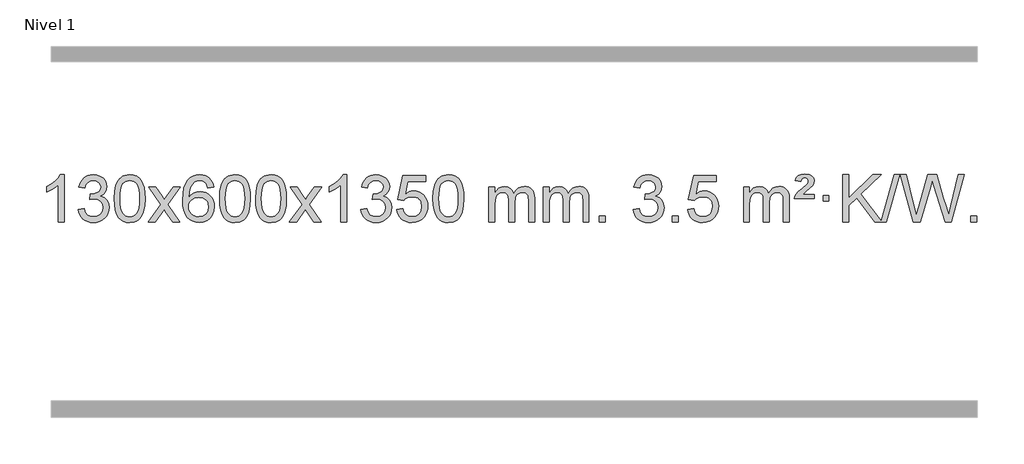
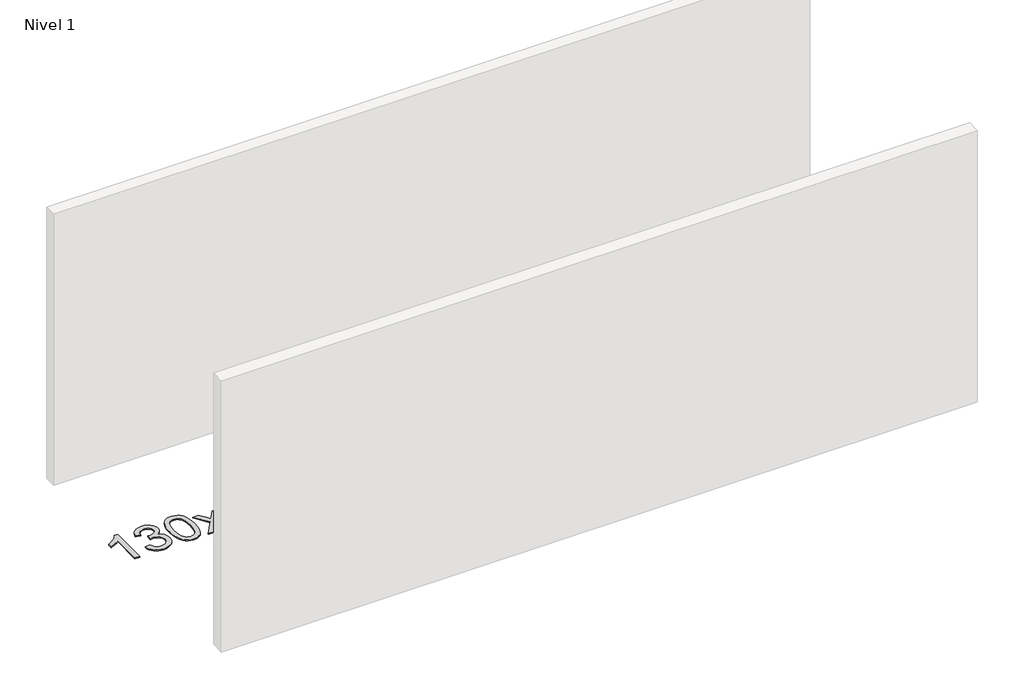
# One storey, part 9 of 21: 1 proxy.
"""IFC4 building model written with IfcOpenShell, lengths in millimetres."""

from ifc_helpers import new_model, si_unit, origin, origin_with_axes, place, context, project, spatial, polyline, outline, extrude, element, save

model = new_model("IFC4")

# Units and contexts
model_context = context("Model", 3, world=origin())
ifc_project = project(units=[si_unit("LENGTHUNIT", "METRE", prefix="MILLI")], contexts=[model_context])

# Site, building, storey
site = spatial("IfcSite", under=ifc_project)
building = spatial("IfcBuilding", under=site)
storey = spatial("IfcBuildingStorey", under=building, Name="Nivel 1", Elevation=0.0)

# Proxy
placement = place(None, origin())
element("IfcBuildingElementProxy", 1, Name="Texto de modelo 1", ObjectType="Texto de modelo 1", at=placement, inside=storey, context=model_context, shape_type="SweptSolid", body=[
    extrude(outline(polyline([(-121.6378538, -30690.579453), (-171.8660089, -30690.579453), (-171.8660089, -30377.4382987), (-192.8352826, -30394.3976587), (-219.4454136, -30411.3324932), (-272.3223191, -30436.6918254), (-272.3223191, -30389.2105225), (-232.8731065, -30367.7507395), (-198.6968691, -30342.219729), (-171.7556443, -30315.0700378), (-154.0114694, -30288.7542124), (-121.6378538, -30288.7542124), (-121.6378538, -30690.579453)])), origin_with_axes(), (0.0, 0.0, 1.0), 10.0),
    extrude(outline(polyline([(-2.3459855, -30583.8446235), (47.8821695, -30577.5661041), (59.1270958, -30609.1303793), (75.5959465, -30630.4430095), (98.0980619, -30642.5831154), (127.4427824, -30646.6298173), (161.8765371, -30641.0625364), (176.1503585, -30634.1034354), (188.4621426, -30624.3606939), (205.4582908, -30599.4428201), (211.1236735, -30569.2274455), (205.5073417, -30540.5449126), (188.6583463, -30517.2825078), (163.1518614, -30501.8682522), (131.5630607, -30496.730167), (96.344491, -30502.2238715), (101.9362974, -30451.9957164), (109.9806503, -30452.5843276), (140.0733975, -30448.979084), (166.9778341, -30438.1633534), (178.0510822, -30429.9841103), (185.9605451, -30419.8673555), (190.7062228, -30407.8130888), (192.2881154, -30393.8213102), (187.7018532, -30372.1285352), (173.9430665, -30354.5315131), (152.9492674, -30342.8696539), (126.6579674, -30338.9823675), (100.3176166, -30342.9064421), (78.7842571, -30354.6786659), (63.0634332, -30374.299039), (54.1606889, -30401.7675613), (3.9325338, -30395.4890419), (9.8860908, -30371.5092672), (18.72139, -30350.3867093), (30.4384316, -30332.1213683), (45.0372154, -30316.713244), (62.0578891, -30304.4811677), (81.0406, -30295.7439703), (101.9853483, -30290.5016519), (124.8921339, -30288.7542124), (156.4686718, -30292.2000404), (185.4700357, -30302.5375245), (209.9219257, -30318.8469596), (227.8500416, -30340.2086408), (238.8497132, -30364.8199463), (242.5162704, -30390.8782543), (239.0336542, -30415.1584659), (228.5858056, -30437.1823347), (211.3198773, -30455.9443165), (187.3830221, -30470.4388671), (218.82467, -30483.1430586), (242.123863, -30504.77452), (256.5448372, -30534.1560286), (261.3518286, -30570.1103623), (258.9483329, -30595.5923218), (251.7378458, -30619.0631931), (239.7203673, -30640.5229762), (222.8958974, -30659.971671), (202.3987389, -30676.1094278), (179.3631946, -30687.636397), (153.7892646, -30694.5525785), (125.6769488, -30696.8579724), (100.2685656, -30694.8898037), (77.1165254, -30688.9852977), (56.2208281, -30679.1444543), (37.5814737, -30665.3672736), (21.9526202, -30648.4630959), (10.0884259, -30629.2412617), (1.9888906, -30607.7017708), (-2.3459855, -30583.8446235)])), origin_with_axes(), (0.0, 0.0, 1.0), 10.0),
    extrude(outline(polyline([(305.3014643, -30492.9041943), (308.992547, -30428.5861588), (320.065795, -30377.2911459), (338.4108439, -30338.2343407), (350.2689068, -30323.0009605), (363.9173289, -30310.6309284), (379.4020952, -30301.0598651), (396.769191, -30294.2233914), (437.1503714, -30288.7542124), (468.1015099, -30291.991574), (495.8152869, -30301.7036586), (518.9918526, -30317.5103217), (536.3313573, -30339.0314184), (549.4279563, -30366.0830078), (559.8758049, -30398.4811488), (566.7184101, -30439.6226186), (568.9992784, -30492.9041943), (565.3449839, -30556.8543477), (554.3821005, -30608.0267333), (536.1474163, -30647.1203266), (524.3169444, -30662.3996922), (510.6777195, -30674.8341036), (495.174559, -30684.4695462), (477.7522809, -30691.3520052), (437.1503714, -30696.8579724), (409.4856453, -30694.4667394), (384.960179, -30687.2930405), (363.5739723, -30675.3368757), (345.3270254, -30658.5982449), (327.8158424, -30628.3399508), (315.3078546, -30590.6381776), (307.8030619, -30545.4929255), (305.3014643, -30492.9041943)]), holes=[polyline([(355.5296194, -30492.8060924), (357.0011473, -30536.4706195), (361.4157313, -30571.8148822), (368.7733712, -30598.8388804), (379.0740671, -30617.5426142), (391.533004, -30630.2682656), (405.365367, -30639.3580165), (420.5711561, -30644.8118671), (437.1503714, -30646.6298173), (453.7295866, -30644.8057357), (468.9353757, -30639.3334911), (482.7677388, -30630.2130833), (495.2266757, -30617.4445124), (505.5273715, -30598.7101217), (512.8850114, -30571.6922549), (517.2995954, -30536.3909118), (518.7711234, -30492.8060924), (517.3486463, -30450.2973278), (513.0812152, -30415.5753989), (505.9688299, -30388.6403055), (496.0114906, -30369.4920476), (483.7610201, -30356.1440625), (469.7692416, -30346.6097875), (454.0361549, -30340.8892225), (436.5617602, -30338.9823675), (420.068384, -30340.6623619), (405.1201123, -30345.7023452), (391.716945, -30354.1023175), (379.858882, -30365.8622786), (369.2148296, -30386.708925), (361.611935, -30414.8151094), (357.0501983, -30450.1808319), (355.5296194, -30492.8060924)])]), origin_with_axes(), (0.0, 0.0, 1.0), 10.0),
    extrude(outline(polyline([(594.113356, -30690.579453), (701.4367967, -30542.2494325), (600.3918754, -30395.4890419), (660.8226244, -30395.4890419), (709.5792515, -30466.122385), (732.3388843, -30499.4770192), (752.0573592, -30472.2047007), (807.583015, -30395.4890419), (868.0137641, -30395.4890419), (761.8675458, -30542.2494325), (864.0896895, -30690.579453), (803.6589404, -30690.579453), (742.1490708, -30601.4048574), (730.8673563, -30585.1199477), (654.544105, -30690.579453), (594.113356, -30690.579453)])), origin_with_axes(), (0.0, 0.0, 1.0), 10.0),
    extrude(outline(polyline([(1152.9015812, -30395.4890419), (1102.6734261, -30401.7675613), (1094.5800222, -30376.874213), (1083.6416642, -30359.8780648), (1060.857506, -30344.2062918), (1033.3154073, -30338.9823675), (1009.9671633, -30342.0235253), (987.9923455, -30351.1469988), (969.1199991, -30370.3627017), (953.7057435, -30396.8134171), (943.2946831, -30434.227016), (939.4319221, -30486.3313693), (959.5795927, -30462.8237098), (983.7249143, -30446.2567573), (1010.5189863, -30436.434308), (1038.612908, -30433.1601582), (1062.7459669, -30435.398107), (1085.0150903, -30442.1119534), (1105.4202783, -30453.3016975), (1123.9615309, -30468.9673391), (1139.3696551, -30488.1769106), (1150.3754581, -30509.9984443), (1156.97894, -30534.4319401), (1159.1801006, -30561.4773982), (1155.0352967, -30597.4439945), (1142.6008853, -30630.786366), (1122.9069358, -30659.0642287), (1096.9835179, -30679.8372987), (1066.0078539, -30692.602804), (1031.1571662, -30696.8579724), (1001.2146375, -30694.0375437), (974.1722452, -30685.5762579), (950.0299893, -30671.4741147), (928.7878697, -30651.7311143), (911.4698248, -30625.5133908), (899.0997927, -30591.9870783), (891.6777734, -30551.1521768), (889.203767, -30503.0086864), (891.9506193, -30449.0342663), (900.191176, -30402.9693092), (913.9254371, -30364.8138149), (933.1534027, -30334.5677835), (953.9939177, -30314.5243462), (978.1576335, -30300.2076052), (1005.6445499, -30291.6175606), (1036.454667, -30288.7542124), (1059.5883131, -30290.5261773), (1080.52693, -30295.8420722), (1099.2705176, -30304.7018969), (1115.8190761, -30317.1056515), (1129.7250155, -30332.6364031), (1140.5407461, -30350.8772186), (1148.266268, -30371.8280983), (1152.9015812, -30395.4890419)]), holes=[polyline([(939.4319221, -30560.6925832), (942.3381899, -30582.9494439), (951.0569932, -30604.2007605), (964.5950506, -30622.472233), (981.9590807, -30635.7895612), (1002.9160917, -30643.9197533), (1027.2330916, -30646.6298173), (1060.3792594, -30641.0134855), (1074.2943959, -30633.9930708), (1086.4375674, -30624.1644901), (1096.2876078, -30611.9262824), (1103.323351, -30597.6769865), (1108.9519455, -30563.1451299), (1103.3969274, -30529.9989621), (1096.4531547, -30516.3781312), (1086.731873, -30504.725469), (1074.5519133, -30495.3904634), (1060.2321066, -30488.7226022), (1025.1729524, -30483.3883133), (992.0758356, -30488.7226022), (964.3988468, -30504.725469), (953.4758173, -30516.2248471), (945.6736533, -30529.3858254), (940.9923549, -30544.2084042), (939.4319221, -30560.6925832)])]), origin_with_axes(), (0.0, 0.0, 1.0), 10.0),
    extrude(outline(polyline([(1203.1297362, -30492.9041943), (1206.8208189, -30428.5861588), (1217.894067, -30377.2911459), (1236.2391158, -30338.2343407), (1248.0971788, -30323.0009605), (1261.7456008, -30310.6309284), (1277.2303671, -30301.0598651), (1294.597463, -30294.2233914), (1334.9786433, -30288.7542124), (1365.9297818, -30291.991574), (1393.6435588, -30301.7036586), (1416.8201245, -30317.5103217), (1434.1596292, -30339.0314184), (1447.2562282, -30366.0830078), (1457.7040769, -30398.4811488), (1464.546682, -30439.6226186), (1466.8275504, -30492.9041943), (1463.1732559, -30556.8543477), (1452.2103725, -30608.0267333), (1433.9756882, -30647.1203266), (1422.1452164, -30662.3996922), (1408.5059914, -30674.8341036), (1393.002831, -30684.4695462), (1375.5805529, -30691.3520052), (1334.9786433, -30696.8579724), (1307.3139173, -30694.4667394), (1282.7884509, -30687.2930405), (1261.4022443, -30675.3368757), (1243.1552973, -30658.5982449), (1225.6441144, -30628.3399508), (1213.1361265, -30590.6381776), (1205.6313338, -30545.4929255), (1203.1297362, -30492.9041943)]), holes=[polyline([(1253.3578913, -30492.8060924), (1254.8294193, -30536.4706195), (1259.2440032, -30571.8148822), (1266.6016432, -30598.8388804), (1276.902339, -30617.5426142), (1289.3612759, -30630.2682656), (1303.1936389, -30639.3580165), (1318.3994281, -30644.8118671), (1334.9786433, -30646.6298173), (1351.5578586, -30644.8057357), (1366.7636477, -30639.3334911), (1380.5960107, -30630.2130833), (1393.0549476, -30617.4445124), (1403.3556435, -30598.7101217), (1410.7132834, -30571.6922549), (1415.1278673, -30536.3909118), (1416.5993953, -30492.8060924), (1415.1769183, -30450.2973278), (1410.9094871, -30415.5753989), (1403.7971019, -30388.6403055), (1393.8397625, -30369.4920476), (1381.5892921, -30356.1440625), (1367.5975136, -30346.6097875), (1351.8644269, -30340.8892225), (1334.3900321, -30338.9823675), (1317.896656, -30340.6623619), (1302.9483843, -30345.7023452), (1289.5452169, -30354.1023175), (1277.6871539, -30365.8622786), (1267.0431015, -30386.708925), (1259.440207, -30414.8151094), (1254.8784702, -30450.1808319), (1253.3578913, -30492.8060924)])]), origin_with_axes(), (0.0, 0.0, 1.0), 10.0),
    extrude(outline(polyline([(1510.7771861, -30492.9041943), (1514.4682688, -30428.5861588), (1525.5415168, -30377.2911459), (1543.8865656, -30338.2343407), (1555.7446286, -30323.0009605), (1569.3930506, -30310.6309284), (1584.877817, -30301.0598651), (1602.2449128, -30294.2233914), (1642.6260932, -30288.7542124), (1673.5772317, -30291.991574), (1701.2910087, -30301.7036586), (1724.4675743, -30317.5103217), (1741.8070791, -30339.0314184), (1754.9036781, -30366.0830078), (1765.3515267, -30398.4811488), (1772.1941319, -30439.6226186), (1774.4750002, -30492.9041943), (1770.8207057, -30556.8543477), (1759.8578223, -30608.0267333), (1741.6231381, -30647.1203266), (1729.7926662, -30662.3996922), (1716.1534413, -30674.8341036), (1700.6502808, -30684.4695462), (1683.2280027, -30691.3520052), (1642.6260932, -30696.8579724), (1614.9613671, -30694.4667394), (1590.4359008, -30687.2930405), (1569.0496941, -30675.3368757), (1550.8027472, -30658.5982449), (1533.2915642, -30628.3399508), (1520.7835764, -30590.6381776), (1513.2787836, -30545.4929255), (1510.7771861, -30492.9041943)]), holes=[polyline([(1561.0053412, -30492.8060924), (1562.4768691, -30536.4706195), (1566.8914531, -30571.8148822), (1574.249093, -30598.8388804), (1584.5497888, -30617.5426142), (1597.0087258, -30630.2682656), (1610.8410888, -30639.3580165), (1626.0468779, -30644.8118671), (1642.6260932, -30646.6298173), (1659.2053084, -30644.8057357), (1674.4110975, -30639.3334911), (1688.2434606, -30630.2130833), (1700.7023975, -30617.4445124), (1711.0030933, -30598.7101217), (1718.3607332, -30571.6922549), (1722.7753172, -30536.3909118), (1724.2468452, -30492.8060924), (1722.8243681, -30450.2973278), (1718.556937, -30415.5753989), (1711.4445517, -30388.6403055), (1701.4872124, -30369.4920476), (1689.2367419, -30356.1440625), (1675.2449634, -30346.6097875), (1659.5118767, -30340.8892225), (1642.037482, -30338.9823675), (1625.5441058, -30340.6623619), (1610.5958341, -30345.7023452), (1597.1926667, -30354.1023175), (1585.3346038, -30365.8622786), (1574.6905514, -30386.708925), (1567.0876568, -30414.8151094), (1562.5259201, -30450.1808319), (1561.0053412, -30492.8060924)])]), origin_with_axes(), (0.0, 0.0, 1.0), 10.0),
    extrude(outline(polyline([(1799.5890778, -30690.579453), (1906.9125185, -30542.2494325), (1805.8675971, -30395.4890419), (1866.2983462, -30395.4890419), (1915.0549733, -30466.122385), (1937.8146061, -30499.4770192), (1957.533081, -30472.2047007), (2013.0587368, -30395.4890419), (2073.4894859, -30395.4890419), (1967.3432676, -30542.2494325), (2069.5654113, -30690.579453), (2009.1346622, -30690.579453), (1947.6247926, -30601.4048574), (1936.3430781, -30585.1199477), (1860.0198268, -30690.579453), (1799.5890778, -30690.579453)])), origin_with_axes(), (0.0, 0.0, 1.0), 10.0),
    extrude(outline(polyline([(2289.3135897, -30690.579453), (2239.0854347, -30690.579453), (2239.0854347, -30377.4382987), (2218.1161609, -30394.3976587), (2191.50603, -30411.3324932), (2138.6291245, -30436.6918254), (2138.6291245, -30389.2105225), (2178.0783371, -30367.7507395), (2212.2545745, -30342.219729), (2239.1957993, -30315.0700378), (2256.9399742, -30288.7542124), (2289.3135897, -30288.7542124), (2289.3135897, -30690.579453)])), origin_with_axes(), (0.0, 0.0, 1.0), 10.0),
    extrude(outline(polyline([(2408.605458, -30583.8446235), (2458.8336131, -30577.5661041), (2470.0785394, -30609.1303793), (2486.5473901, -30630.4430095), (2509.0495055, -30642.5831154), (2538.3942259, -30646.6298173), (2572.8279807, -30641.0625364), (2587.1018021, -30634.1034354), (2599.4135862, -30624.3606939), (2616.4097344, -30599.4428201), (2622.0751171, -30569.2274455), (2616.4587853, -30540.5449126), (2599.6097899, -30517.2825078), (2574.1033049, -30501.8682522), (2542.5145043, -30496.730167), (2507.2959346, -30502.2238715), (2512.8877409, -30451.9957164), (2520.9320939, -30452.5843276), (2551.0248411, -30448.979084), (2577.9292777, -30438.1633534), (2589.0025257, -30429.9841103), (2596.9119886, -30419.8673555), (2601.6576664, -30407.8130888), (2603.239559, -30393.8213102), (2598.6532968, -30372.1285352), (2584.8945101, -30354.5315131), (2563.9007109, -30342.8696539), (2537.609411, -30338.9823675), (2511.2690602, -30342.9064421), (2489.7357007, -30354.6786659), (2474.0148768, -30374.299039), (2465.1121325, -30401.7675613), (2414.8839774, -30395.4890419), (2420.8375344, -30371.5092672), (2429.6728336, -30350.3867093), (2441.3898752, -30332.1213683), (2455.988659, -30316.713244), (2473.0093327, -30304.4811677), (2491.9920436, -30295.7439703), (2512.9367919, -30290.5016519), (2535.8435774, -30288.7542124), (2567.4201154, -30292.2000404), (2596.4214793, -30302.5375245), (2620.8733693, -30318.8469596), (2638.8014852, -30340.2086408), (2649.8011568, -30364.8199463), (2653.467714, -30390.8782543), (2649.9850978, -30415.1584659), (2639.5372491, -30437.1823347), (2622.2713208, -30455.9443165), (2598.3344657, -30470.4388671), (2629.7761135, -30483.1430586), (2653.0753066, -30504.77452), (2667.4962808, -30534.1560286), (2672.3032722, -30570.1103623), (2669.8997765, -30595.5923218), (2662.6892894, -30619.0631931), (2650.6718109, -30640.5229762), (2633.847341, -30659.971671), (2613.3501825, -30676.1094278), (2590.3146382, -30687.636397), (2564.7407082, -30694.5525785), (2536.6283924, -30696.8579724), (2511.2200092, -30694.8898037), (2488.067969, -30688.9852977), (2467.1722717, -30679.1444543), (2448.5329173, -30665.3672736), (2432.9040638, -30648.4630959), (2421.0398695, -30629.2412617), (2412.9403342, -30607.7017708), (2408.605458, -30583.8446235)])), origin_with_axes(), (0.0, 0.0, 1.0), 10.0),
    extrude(outline(polyline([(2716.2529079, -30583.8446235), (2766.481063, -30577.5661041), (2775.7026383, -30607.7201649), (2791.7913442, -30629.3148381), (2814.6736043, -30642.3010725), (2844.2758422, -30646.6298173), (2863.4057059, -30645.1245668), (2880.2792268, -30640.6088153), (2894.8964047, -30633.0825628), (2907.2572398, -30622.5458094), (2917.0858204, -30609.519721), (2924.1062352, -30594.5254641), (2929.7225669, -30558.6324441), (2924.4618544, -30524.8363514), (2917.8859638, -30510.9181493), (2908.6797168, -30498.9865099), (2896.8124568, -30489.4154467), (2882.2535268, -30482.5789729), (2845.0606571, -30477.1097939), (2820.6946063, -30479.2925604), (2800.9638686, -30485.8408599), (2785.2062565, -30495.8717757), (2772.7595823, -30508.5023908), (2722.5314273, -30502.2238715), (2766.481063, -30295.0327318), (2961.1151639, -30295.0327318), (2961.1151639, -30345.2608869), (2807.0952352, -30345.2608869), (2785.6109267, -30455.919791), (2803.3367075, -30443.2155994), (2821.491684, -30434.1411769), (2840.0758561, -30428.6965234), (2859.0892239, -30426.8816388), (2883.5503109, -30429.1318504), (2906.0187037, -30435.882485), (2926.4944024, -30447.1335427), (2944.977407, -30462.8850234), (2960.2782323, -30482.1743027), (2971.2073933, -30504.038756), (2977.7648898, -30528.4783832), (2979.950722, -30555.4931844), (2977.9825533, -30581.5147042), (2972.0780473, -30605.7213394), (2962.237204, -30628.1130902), (2948.4600232, -30648.6899565), (2927.5888514, -30669.7634634), (2903.2350633, -30684.8159684), (2875.398659, -30693.8474714), (2844.0796385, -30696.8579724), (2818.1592862, -30694.9235262), (2794.7466629, -30689.1201877), (2773.8417685, -30679.447957), (2755.4446031, -30665.9068338), (2740.1376464, -30649.1712688), (2728.5033783, -30629.915712), (2720.5417988, -30608.1401636), (2716.2529079, -30583.8446235)])), origin_with_axes(), (0.0, 0.0, 1.0), 10.0),
    extrude(outline(polyline([(3023.9003577, -30492.9041943), (3027.5914404, -30428.5861588), (3038.6646885, -30377.2911459), (3057.0097373, -30338.2343407), (3068.8678003, -30323.0009605), (3082.5162223, -30310.6309284), (3098.0009886, -30301.0598651), (3115.3680844, -30294.2233914), (3155.7492648, -30288.7542124), (3186.7004033, -30291.991574), (3214.4141803, -30301.7036586), (3237.590746, -30317.5103217), (3254.9302507, -30339.0314184), (3268.0268497, -30366.0830078), (3278.4746984, -30398.4811488), (3285.3173035, -30439.6226186), (3287.5981719, -30492.9041943), (3283.9438774, -30556.8543477), (3272.9809939, -30608.0267333), (3254.7463097, -30647.1203266), (3242.9158379, -30662.3996922), (3229.2766129, -30674.8341036), (3213.7734525, -30684.4695462), (3196.3511743, -30691.3520052), (3155.7492648, -30696.8579724), (3128.0845387, -30694.4667394), (3103.5590724, -30687.2930405), (3082.1728657, -30675.3368757), (3063.9259188, -30658.5982449), (3046.4147358, -30628.3399508), (3033.906748, -30590.6381776), (3026.4019553, -30545.4929255), (3023.9003577, -30492.9041943)]), holes=[polyline([(3074.1285128, -30492.8060924), (3075.6000408, -30536.4706195), (3080.0146247, -30571.8148822), (3087.3722646, -30598.8388804), (3097.6729605, -30617.5426142), (3110.1318974, -30630.2682656), (3123.9642604, -30639.3580165), (3139.1700495, -30644.8118671), (3155.7492648, -30646.6298173), (3172.32848, -30644.8057357), (3187.5342692, -30639.3334911), (3201.3666322, -30630.2130833), (3213.8255691, -30617.4445124), (3224.126265, -30598.7101217), (3231.4839049, -30571.6922549), (3235.8984888, -30536.3909118), (3237.3700168, -30492.8060924), (3235.9475397, -30450.2973278), (3231.6801086, -30415.5753989), (3224.5677233, -30388.6403055), (3214.610384, -30369.4920476), (3202.3599136, -30356.1440625), (3188.368135, -30346.6097875), (3172.6350484, -30340.8892225), (3155.1606536, -30338.9823675), (3138.6672775, -30340.6623619), (3123.7190057, -30345.7023452), (3110.3158384, -30354.1023175), (3098.4577754, -30365.8622786), (3087.813723, -30386.708925), (3080.2108284, -30414.8151094), (3075.6490917, -30450.1808319), (3074.1285128, -30492.8060924)])]), origin_with_axes(), (0.0, 0.0, 1.0), 10.0),
    extrude(outline(polyline([(3501.0678309, -30690.579453), (3501.0678309, -30395.4890419), (3551.295986, -30395.4890419), (3551.295986, -30444.0494653), (3566.4036733, -30421.7435537), (3585.8278426, -30404.2691589), (3608.9063064, -30392.9751816), (3634.9768772, -30389.2105225), (3662.9113833, -30393.048758), (3685.3031341, -30404.5634645), (3702.0295022, -30422.9943524), (3712.9678601, -30447.5811324), (3731.2761208, -30422.0439906), (3752.1595554, -30403.803175), (3775.6181639, -30392.8586857), (3801.6519464, -30389.2105225), (3821.7597632, -30390.7280358), (3839.4089019, -30395.2805755), (3854.5993626, -30402.8681416), (3867.3311453, -30413.4907342), (3877.3957836, -30427.2709806), (3884.5848109, -30444.3315082), (3888.8982273, -30464.6723168), (3890.3360328, -30488.2934066), (3890.3360328, -30690.579453), (3840.1078777, -30690.579453), (3840.1078777, -30509.875817), (3838.942918, -30484.8230531), (3835.4480391, -30467.9372695), (3828.8997396, -30456.3735121), (3818.5745182, -30447.2868268), (3805.2939782, -30441.4007149), (3789.8797226, -30439.4386776), (3762.6687177, -30444.4663982), (3740.4854334, -30459.54956), (3731.8800604, -30471.1194488), (3725.7333654, -30485.7182326), (3720.8160094, -30524.0024856), (3720.8160094, -30690.579453), (3670.5878543, -30690.579453), (3670.5878543, -30504.2840106), (3667.6815865, -30475.8835206), (3658.9627833, -30455.6254854), (3643.6221041, -30443.4853796), (3620.8502086, -30439.4386776), (3601.4996156, -30442.1364789), (3583.6696016, -30450.2298828), (3568.9543218, -30463.5226856), (3558.9479315, -30481.8186835), (3553.2089724, -30507.2025411), (3551.295986, -30541.7589232), (3551.295986, -30690.579453), (3501.0678309, -30690.579453)])), origin_with_axes(), (0.0, 0.0, 1.0), 10.0),
    extrude(outline(polyline([(3965.6782654, -30690.579453), (3965.6782654, -30395.4890419), (4015.9064204, -30395.4890419), (4015.9064204, -30444.0494653), (4031.0141077, -30421.7435537), (4050.4382771, -30404.2691589), (4073.5167409, -30392.9751816), (4099.5873116, -30389.2105225), (4127.5218178, -30393.048758), (4149.9135685, -30404.5634645), (4166.6399366, -30422.9943524), (4177.5782946, -30447.5811324), (4195.8865552, -30422.0439906), (4216.7699898, -30403.803175), (4240.2285984, -30392.8586857), (4266.2623809, -30389.2105225), (4286.3701976, -30390.7280358), (4304.0193363, -30395.2805755), (4319.209797, -30402.8681416), (4331.9415798, -30413.4907342), (4342.006218, -30427.2709806), (4349.1952453, -30444.3315082), (4353.5086617, -30464.6723168), (4354.9464672, -30488.2934066), (4354.9464672, -30690.579453), (4304.7183121, -30690.579453), (4304.7183121, -30509.875817), (4303.5533525, -30484.8230531), (4300.0584735, -30467.9372695), (4293.510174, -30456.3735121), (4283.1849527, -30447.2868268), (4269.9044126, -30441.4007149), (4254.490157, -30439.4386776), (4227.2791521, -30444.4663982), (4205.0958678, -30459.54956), (4196.4904948, -30471.1194488), (4190.3437998, -30485.7182326), (4185.4264438, -30524.0024856), (4185.4264438, -30690.579453), (4135.1982887, -30690.579453), (4135.1982887, -30504.2840106), (4132.292021, -30475.8835206), (4123.5732177, -30455.6254854), (4108.2325385, -30443.4853796), (4085.460643, -30439.4386776), (4066.11005, -30442.1364789), (4048.280036, -30450.2298828), (4033.5647562, -30463.5226856), (4023.5583659, -30481.8186835), (4017.8194068, -30507.2025411), (4015.9064204, -30541.7589232), (4015.9064204, -30690.579453), (3965.6782654, -30690.579453)])), origin_with_axes(), (0.0, 0.0, 1.0), 10.0),
    extrude(outline(polyline([(4442.8457386, -30690.579453), (4442.8457386, -30640.3512979), (4493.0738936, -30640.3512979), (4493.0738936, -30690.579453), (4442.8457386, -30690.579453)])), origin_with_axes(), (0.0, 0.0, 1.0), 10.0),
    extrude(outline(polyline([(4731.6576303, -30583.8446235), (4781.8857853, -30577.5661041), (4793.1307116, -30609.1303793), (4809.5995623, -30630.4430095), (4832.1016777, -30642.5831154), (4861.4463982, -30646.6298173), (4895.8801529, -30641.0625364), (4910.1539743, -30634.1034354), (4922.4657584, -30624.3606939), (4939.4619066, -30599.4428201), (4945.1272893, -30569.2274455), (4939.5109575, -30540.5449126), (4922.6619621, -30517.2825078), (4897.1554772, -30501.8682522), (4865.5666765, -30496.730167), (4830.3481068, -30502.2238715), (4835.9399132, -30451.9957164), (4843.9842661, -30452.5843276), (4874.0770133, -30448.979084), (4900.9814499, -30438.1633534), (4912.054698, -30429.9841103), (4919.9641609, -30419.8673555), (4924.7098386, -30407.8130888), (4926.2917312, -30393.8213102), (4921.705469, -30372.1285352), (4907.9466823, -30354.5315131), (4886.9528832, -30342.8696539), (4860.6615832, -30338.9823675), (4834.3212324, -30342.9064421), (4812.7878729, -30354.6786659), (4797.067049, -30374.299039), (4788.1643047, -30401.7675613), (4737.9361496, -30395.4890419), (4743.8897066, -30371.5092672), (4752.7250058, -30350.3867093), (4764.4420474, -30332.1213683), (4779.0408312, -30316.713244), (4796.0615049, -30304.4811677), (4815.0442158, -30295.7439703), (4835.9889641, -30290.5016519), (4858.8957497, -30288.7542124), (4890.4722876, -30292.2000404), (4919.4736515, -30302.5375245), (4943.9255415, -30318.8469596), (4961.8536574, -30340.2086408), (4972.853329, -30364.8199463), (4976.5198862, -30390.8782543), (4973.03727, -30415.1584659), (4962.5894214, -30437.1823347), (4945.3234931, -30455.9443165), (4921.3866379, -30470.4388671), (4952.8282858, -30483.1430586), (4976.1274788, -30504.77452), (4990.548453, -30534.1560286), (4995.3554444, -30570.1103623), (4992.9519487, -30595.5923218), (4985.7414616, -30619.0631931), (4973.7239831, -30640.5229762), (4956.8995132, -30659.971671), (4936.4023547, -30676.1094278), (4913.3668104, -30687.636397), (4887.7928804, -30694.5525785), (4859.6805646, -30696.8579724), (4834.2721814, -30694.8898037), (4811.1201412, -30688.9852977), (4790.2244439, -30679.1444543), (4771.5850895, -30665.3672736), (4755.956236, -30648.4630959), (4744.0920417, -30629.2412617), (4735.9925064, -30607.7017708), (4731.6576303, -30583.8446235)])), origin_with_axes(), (0.0, 0.0, 1.0), 10.0),
    extrude(outline(polyline([(5064.4191576, -30690.579453), (5064.4191576, -30640.3512979), (5114.6473127, -30640.3512979), (5114.6473127, -30690.579453), (5064.4191576, -30690.579453)])), origin_with_axes(), (0.0, 0.0, 1.0), 10.0),
    extrude(outline(polyline([(5196.2680647, -30583.8446235), (5246.4962198, -30577.5661041), (5255.7177951, -30607.7201649), (5271.806501, -30629.3148381), (5294.6887611, -30642.3010725), (5324.290999, -30646.6298173), (5343.4208628, -30645.1245668), (5360.2943836, -30640.6088153), (5374.9115616, -30633.0825628), (5387.2723966, -30622.5458094), (5397.1009772, -30609.519721), (5404.121392, -30594.5254641), (5409.7377238, -30558.6324441), (5404.4770112, -30524.8363514), (5397.9011206, -30510.9181493), (5388.6948736, -30498.9865099), (5376.8276136, -30489.4154467), (5362.2686837, -30482.5789729), (5325.0758139, -30477.1097939), (5300.7097631, -30479.2925604), (5280.9790255, -30485.8408599), (5265.2214133, -30495.8717757), (5252.7747392, -30508.5023908), (5202.5465841, -30502.2238715), (5246.4962198, -30295.0327318), (5441.1303207, -30295.0327318), (5441.1303207, -30345.2608869), (5287.110392, -30345.2608869), (5265.6260835, -30455.919791), (5283.3518643, -30443.2155994), (5301.5068408, -30434.1411769), (5320.0910129, -30428.6965234), (5339.1043807, -30426.8816388), (5363.5654677, -30429.1318504), (5386.0338605, -30435.882485), (5406.5095593, -30447.1335427), (5424.9925638, -30462.8850234), (5440.2933891, -30482.1743027), (5451.2225501, -30504.038756), (5457.7800467, -30528.4783832), (5459.9658788, -30555.4931844), (5457.9977102, -30581.5147042), (5452.0932041, -30605.7213394), (5442.2523608, -30628.1130902), (5428.4751801, -30648.6899565), (5407.6040082, -30669.7634634), (5383.2502201, -30684.8159684), (5355.4138158, -30693.8474714), (5324.0947953, -30696.8579724), (5298.174443, -30694.9235262), (5274.7618197, -30689.1201877), (5253.8569254, -30679.447957), (5235.4597599, -30665.9068338), (5220.1528032, -30649.1712688), (5208.5185351, -30629.915712), (5200.5569556, -30608.1401636), (5196.2680647, -30583.8446235)])), origin_with_axes(), (0.0, 0.0, 1.0), 10.0),
    extrude(outline(polyline([(5673.4355379, -30690.579453), (5673.4355379, -30395.4890419), (5723.663693, -30395.4890419), (5723.663693, -30444.0494653), (5738.7713802, -30421.7435537), (5758.1955496, -30404.2691589), (5781.2740134, -30392.9751816), (5807.3445842, -30389.2105225), (5835.2790903, -30393.048758), (5857.6708411, -30404.5634645), (5874.3972091, -30422.9943524), (5885.3355671, -30447.5811324), (5903.6438278, -30422.0439906), (5924.5272623, -30403.803175), (5947.9858709, -30392.8586857), (5974.0196534, -30389.2105225), (5994.1274702, -30390.7280358), (6011.7766089, -30395.2805755), (6026.9670696, -30402.8681416), (6039.6988523, -30413.4907342), (6049.7634906, -30427.2709806), (6056.9525179, -30444.3315082), (6061.2659343, -30464.6723168), (6062.7037397, -30488.2934066), (6062.7037397, -30690.579453), (6012.4755847, -30690.579453), (6012.4755847, -30509.875817), (6011.310625, -30484.8230531), (6007.8157461, -30467.9372695), (6001.2674465, -30456.3735121), (5990.9422252, -30447.2868268), (5977.6616852, -30441.4007149), (5962.2474296, -30439.4386776), (5935.0364247, -30444.4663982), (5912.8531404, -30459.54956), (5904.2477674, -30471.1194488), (5898.1010724, -30485.7182326), (5893.1837164, -30524.0024856), (5893.1837164, -30690.579453), (5842.9555613, -30690.579453), (5842.9555613, -30504.2840106), (5840.0492935, -30475.8835206), (5831.3304902, -30455.6254854), (5815.989811, -30443.4853796), (5793.2179155, -30439.4386776), (5773.8673226, -30442.1364789), (5756.0373086, -30450.2298828), (5741.3220287, -30463.5226856), (5731.3156385, -30481.8186835), (5725.5766794, -30507.2025411), (5723.663693, -30541.7589232), (5723.663693, -30690.579453), (5673.4355379, -30690.579453)])), origin_with_axes(), (0.0, 0.0, 1.0), 10.0),
    extrude(outline(polyline([(6106.6533754, -30489.6668327), (6110.4793482, -30473.8479069), (6118.8180067, -30457.9799302), (6140.3268407, -30432.8413272), (6172.2835234, -30405.1030247), (6216.4293628, -30367.726214), (6223.5662735, -30356.1992448), (6225.9452437, -30344.3779701), (6224.0567828, -30332.2869152), (6218.3914001, -30322.5012541), (6209.022672, -30316.026531), (6196.0241748, -30313.8682899), (6183.5897634, -30315.4869707), (6174.73607, -30320.343013), (6168.3103978, -30329.8098431), (6163.1600499, -30345.2608869), (6112.9318948, -30338.9823675), (6123.7721509, -30313.7701881), (6140.4004171, -30296.2099542), (6164.165594, -30285.9092583), (6196.4165822, -30282.475693), (6232.1992376, -30286.6082341), (6256.9454332, -30299.0058573), (6271.3664074, -30317.3386434), (6276.1733988, -30339.2766731), (6272.0776459, -30362.1834586), (6259.7903873, -30383.8149199), (6239.262572, -30403.6314968), (6202.7932035, -30431.6886303), (6177.1886166, -30458.2742358), (6276.1733988, -30458.2742358), (6276.1733988, -30489.6668327), (6106.6533754, -30489.6668327)])), origin_with_axes(), (0.0, 0.0, 1.0), 10.0),
    extrude(outline(polyline([(6351.5156314, -30514.7809102), (6351.5156314, -30464.5527552), (6401.7437865, -30464.5527552), (6401.7437865, -30514.7809102), (6351.5156314, -30514.7809102)])), origin_with_axes(), (0.0, 0.0, 1.0), 10.0),
    extrude(outline(polyline([(6792.3854144, -30690.579453), (6638.954097, -30487.9009991), (6571.2638099, -30552.4520265), (6571.2638099, -30690.579453), (6521.0356548, -30690.579453), (6521.0356548, -30288.7542124), (6571.2638099, -30288.7542124), (6571.2638099, -30485.4484525), (6777.2777272, -30288.7542124), (6847.5186628, -30288.7542124), (6674.5650741, -30453.9577537), (6849.218684, -30684.5349332), (6960.5320117, -30288.7542124), (7005.8550735, -30288.7542124), (6892.8417246, -30690.579453), (6853.7971822, -30690.579453), (6847.5186628, -30690.579453), (6792.3854144, -30690.579453)])), origin_with_axes(), (0.0, 0.0, 1.0), 10.0),
    extrude(outline(polyline([(7120.3399504, -30690.579453), (7010.7601668, -30288.7542124), (7062.5579517, -30288.7542124), (7126.1279605, -30552.844434), (7145.7483335, -30634.3670841), (7166.7421327, -30562.2622131), (7246.4008474, -30288.7542124), (7321.056367, -30288.7542124), (7378.9364675, -30487.0180823), (7403.731714, -30560.5944814), (7422.0031864, -30634.3670841), (7441.0349483, -30555.1988788), (7505.1935683, -30288.7542124), (7556.9913532, -30288.7542124), (7447.3134677, -30690.579453), (7393.6517474, -30690.579453), (7297.3157155, -30380.5775584), (7283.87576, -30337.3146358), (7268.7680727, -30389.4067263), (7180.9669032, -30690.579453), (7120.3399504, -30690.579453)])), origin_with_axes(), (0.0, 0.0, 1.0), 10.0),
    extrude(outline(polyline([(7613.4980277, -30690.579453), (7613.4980277, -30640.3512979), (7663.7261827, -30640.3512979), (7663.7261827, -30690.579453), (7613.4980277, -30690.579453)])), origin_with_axes(), (0.0, 0.0, 1.0), 10.0),
])

save(model, "model.ifc")
